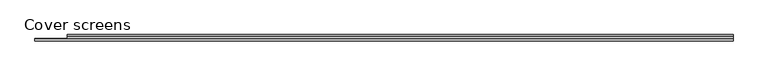
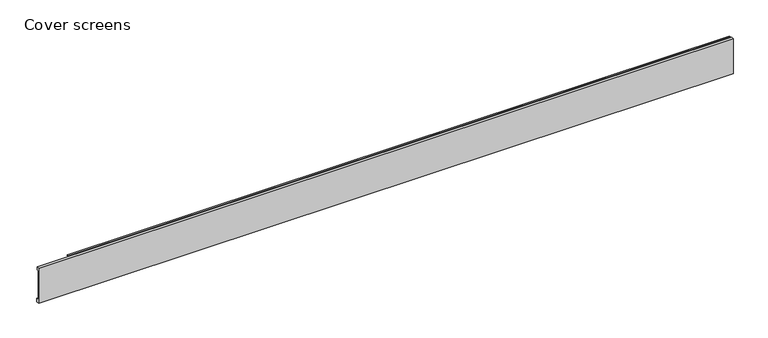
"""IFC4 building model written with IfcOpenShell, lengths in millimetres: proxy geometry, Cover screens."""

import ifcopenshell
import ifcopenshell.guid

model = None  # the IFC model being written
_history = None  # IfcOwnerHistory: only IFC2X3 demands one
_inside = {}  # id of a spatial element -> (the spatial element, [elements in it])
_under = {}  # id of a project, library or spatial element -> (it, [spatial elements below it])
_declared = {}  # id of a project -> (the project, [libraries it declares])
_typed = {}  # id of a type object -> (the type object, [elements of that type])
_made_of = {}  # id of a material, layer set ... -> (it, [elements and type objects made of it])


def new_model(schema):
    """Start an empty IFC model of exactly this schema.

    Asked for "IFC4X3", IfcOpenShell would pick the latest addendum, in which some entities
    have other attributes; the version numbers below select the first issue.
    IFC2X3 requires an IfcOwnerHistory on every rooted entity: one is made here for all.
    """
    global model, _history
    if schema == "IFC4X3":
        model = ifcopenshell.file(schema_version=(4, 3, 0, 0))
    else:
        model = ifcopenshell.file(schema=schema)
    _inside.clear()
    _under.clear()
    _declared.clear()
    _typed.clear()
    _made_of.clear()
    _history = None
    if model.schema == "IFC2X3":
        org = make("IfcOrganization", Name="unknown")
        user = make(
            "IfcPersonAndOrganization",
            ThePerson=make("IfcPerson", FamilyName="unknown"),
            TheOrganization=org,
        )
        app = make(
            "IfcApplication",
            ApplicationDeveloper=org,
            Version="unknown",
            ApplicationFullName="unknown",
            ApplicationIdentifier="unknown",
        )
        _history = make(
            "IfcOwnerHistory",
            OwningUser=user,
            OwningApplication=app,
            ChangeAction="ADDED",
            CreationDate=0,
        )
    return model


def make(cls, **values):
    """One entity of the class cls with the attributes given. An attribute that is None is left unset."""
    return model.create_entity(
        cls, **{name: value for name, value in values.items() if value is not None}
    )


def rooted(cls, **values):
    """An entity with a GlobalId (a new one), such as an element, a storey or a relation."""
    return make(cls, GlobalId=ifcopenshell.guid.new(), OwnerHistory=_history, **values)


def si_unit(unit_type, name, prefix=None):
    """IfcSIUnit, for example si_unit("LENGTHUNIT", "METRE", prefix="MILLI")."""
    return make("IfcSIUnit", UnitType=unit_type, Prefix=prefix, Name=name)


def assignment(units):
    """IfcUnitAssignment: the units of a project."""
    return None if units is None else make("IfcUnitAssignment", Units=units)


def point(xyz):
    """IfcCartesianPoint."""
    return None if xyz is None else make("IfcCartesianPoint", Coordinates=xyz)


def direction(xyz):
    """IfcDirection."""
    return None if xyz is None else make("IfcDirection", DirectionRatios=xyz)


def frame(location, z_axis=None, x_axis=None):
    """IfcAxis2Placement3D, a coordinate frame: its origin and axes. An axis left out is left unset."""
    return make(
        "IfcAxis2Placement3D",
        Location=point(location),
        Axis=direction(z_axis),
        RefDirection=direction(x_axis),
    )


def origin():
    """The frame at (0, 0, 0) with its axes left unset."""
    return frame((0.0, 0.0, 0.0))


def place(relative_to, where):
    """IfcLocalPlacement: puts the frame where relative to a parent placement (None: the world)."""
    return make(
        "IfcLocalPlacement", PlacementRelTo=relative_to, RelativePlacement=where
    )


def context(
    kind, dimensions, precision=None, world=None, true_north=None, identifier=None
):
    """IfcGeometricRepresentationContext, for example the 3D "Model" context."""
    return make(
        "IfcGeometricRepresentationContext",
        ContextIdentifier=identifier,
        ContextType=kind,
        CoordinateSpaceDimension=dimensions,
        Precision=precision,
        WorldCoordinateSystem=world,
        TrueNorth=true_north,
    )


def project(units=None, contexts=None):
    """IfcProject with its units and contexts."""
    return rooted(
        "IfcProject",
        Name="project",
        RepresentationContexts=contexts,
        UnitsInContext=assignment(units),
    )


def spatial(cls, under=None, at=None, **own):
    """A site, building, storey or space (cls), placed at a placement, below another one or the project."""
    s = rooted(cls, ObjectPlacement=at, **own)
    if under is not None:
        _under.setdefault(under.id(), (under, []))[1].append(s)
    return s


def polyline(points):
    """IfcPolyline through the points."""
    return make("IfcPolyline", Points=[point(p) for p in points])


def outline(outer, holes=None, kind="AREA"):
    """IfcArbitraryClosedProfileDef: a profile drawn as a closed curve; with holes, ...WithVoids."""
    if holes is None:
        return make("IfcArbitraryClosedProfileDef", ProfileType=kind, OuterCurve=outer)
    return make(
        "IfcArbitraryProfileDefWithVoids",
        ProfileType=kind,
        OuterCurve=outer,
        InnerCurves=holes,
    )


def extrude(swept, where, along, depth):
    """IfcExtrudedAreaSolid: the profile swept, set in the frame where, extruded along a direction by depth."""
    return make(
        "IfcExtrudedAreaSolid",
        SweptArea=swept,
        Position=where,
        ExtrudedDirection=direction(along),
        Depth=depth,
    )


def shape(context_of_items, identifier, shape_type, items):
    """IfcShapeRepresentation: the items that make up one representation, for example the "Body"."""
    return make(
        "IfcShapeRepresentation",
        ContextOfItems=context_of_items,
        RepresentationIdentifier=identifier,
        RepresentationType=shape_type,
        Items=items,
    )


def source(mapping_origin, context_of_items, identifier, shape_type, items):
    """IfcRepresentationMap: a shape defined once, which mapped items show again and again."""
    return make(
        "IfcRepresentationMap",
        MappingOrigin=mapping_origin,
        MappedRepresentation=shape(context_of_items, identifier, shape_type, items),
    )


def transform(
    local_origin,
    x_axis=None,
    y_axis=None,
    z_axis=None,
    scale=None,
    scale2=None,
    scale3=None,
    uniform=True,
):
    """IfcCartesianTransformationOperator3D, or its non-uniform kind. x_axis, y_axis, z_axis: its Axis1, 2, 3."""
    if uniform:
        return make(
            "IfcCartesianTransformationOperator3D",
            Axis1=direction(x_axis),
            Axis2=direction(y_axis),
            LocalOrigin=point(local_origin),
            Scale=scale,
            Axis3=direction(z_axis),
        )
    return make(
        "IfcCartesianTransformationOperator3DnonUniform",
        Axis1=direction(x_axis),
        Axis2=direction(y_axis),
        LocalOrigin=point(local_origin),
        Scale=scale,
        Axis3=direction(z_axis),
        Scale2=scale2,
        Scale3=scale3,
    )


def mapped(mapping_source, mapping_target):
    """IfcMappedItem: shows the shape of a source again, moved by a transform."""
    return make(
        "IfcMappedItem", MappingSource=mapping_source, MappingTarget=mapping_target
    )


def made_of(thing, what):
    """Note that an element or type object is made of a material, layer set ...; save() writes the relation."""
    if what is not None:
        _made_of.setdefault(what.id(), (what, []))[1].append(thing)
    return thing


def element(
    cls,
    number,
    at=None,
    inside=None,
    cuts=None,
    type_object=None,
    material=None,
    context=None,
    identifier="Body",
    shape_type=None,
    held_by="IfcProductDefinitionShape",
    body=None,
    shapes=None,
    **own,
):
    """One element of the class cls, such as IfcWall. Its Tag is "e" and its number.

    at: its placement. inside: the storey or other place that contains it. cuts: it is an
    opening in that element (IfcRelVoidsElement). A single representation is given by context,
    identifier, shape_type and body (its items); several are given by shapes. held_by: the class
    of the entity that holds the representations. save() writes the other relations.
    """
    e = rooted(cls, Tag="e%d" % number, ObjectPlacement=at, **own)
    if body is not None:
        shapes = [shape(context, identifier, shape_type, body)]
    if shapes is not None:
        e.Representation = make(held_by, Representations=shapes)
    if inside is not None:
        _inside.setdefault(inside.id(), (inside, []))[1].append(e)
    if cuts is not None:
        rooted(
            "IfcRelVoidsElement", RelatingBuildingElement=cuts, RelatedOpeningElement=e
        )
    if type_object is not None:
        _typed.setdefault(type_object.id(), (type_object, []))[1].append(e)
    return made_of(e, material)


def aggregate(whole, parts):
    """IfcRelAggregates: a whole, such as a stair, and the parts it consists of."""
    return rooted("IfcRelAggregates", RelatingObject=whole, RelatedObjects=parts)


def save(model, path):
    """Write the relations noted so far, then the file.

    IfcRelAggregates (storeys below a building ...), IfcRelContainedInSpatialStructure (elements
    in a storey), IfcRelDefinesByType, IfcRelAssociatesMaterial and IfcRelDeclares: one each for
    every whole, place, type object, material and project.
    """
    for whole, parts in _under.values():
        aggregate(whole, parts)
    for where, things in _inside.values():
        rooted(
            "IfcRelContainedInSpatialStructure",
            RelatedElements=things,
            RelatingStructure=where,
        )
    for kind, things in _typed.values():
        rooted("IfcRelDefinesByType", RelatedObjects=things, RelatingType=kind)
    for what, things in _made_of.values():
        rooted("IfcRelAssociatesMaterial", RelatedObjects=things, RelatingMaterial=what)
    for by, libraries in _declared.values():
        rooted("IfcRelDeclares", RelatingContext=by, RelatedDefinitions=libraries)
    model.write(path)


def cover_screens_81be6c7c(model_context):
    return source(origin(), model_context, "Body", "SweptSolid", [
        extrude(outline(polyline([(-3.2396744, 105.2573755), (0.0, 105.2573755), (0.0, 103.2573755), (-2.5987443, 103.2573755), (-11.3590699, 97.0), (-14.5351396, 97.0), (-14.5351396, 66.0), (0.0, 66.0), (0.0, 57.9863949), (-2.0, 57.9863949), (-2.0, 64.0), (-16.5351396, 64.0), (-16.5351396, 99.0), (-12.0, 99.0), (-3.2396744, 105.2573755)])), frame((95.0, 0.0, 0.0), z_axis=(1.0, 0.0, 0.0), x_axis=(0.0, 1.0, 0.0)), (0.0, 0.0, 1.0), 1950.0),
        extrude(outline(polyline([(-18.5, 109.0), (-12.0, 109.0), (-12.0, 99.0), (-16.5351396, 99.0), (-16.5351396, 10.0), (-10.65, 10.0), (-10.65, 0.0), (-18.5, 0.0), (-18.5, 109.0)])), frame((0.0, 0.0, 0.0), z_axis=(1.0, 0.0, 0.0), x_axis=(0.0, 1.0, 0.0)), (0.0, 0.0, 1.0), 2045.0),
    ])


if __name__ == "__main__":
    model = new_model("IFC4")
    model_context = context("Model", 3, world=origin())
    ifc_project = project(units=[si_unit("LENGTHUNIT", "METRE", prefix="MILLI")], contexts=[model_context])
    site = spatial("IfcSite", under=ifc_project)
    building = spatial("IfcBuilding", under=site)
    placement = place(None, origin())
    cover_screens_shape = cover_screens_81be6c7c(model_context)
    element("IfcBuildingElementProxy", 1, Name="Cover screens", ObjectType="Cover screens", at=placement, inside=building, context=model_context, shape_type="MappedRepresentation", body=[
        mapped(cover_screens_shape, transform((0.0, 0.0, 0.0), x_axis=(1.0, 0.0, 0.0), y_axis=(0.0, 1.0, 0.0), z_axis=(0.0, 0.0, 1.0))),
    ])
    save(model, "model.ifc")
